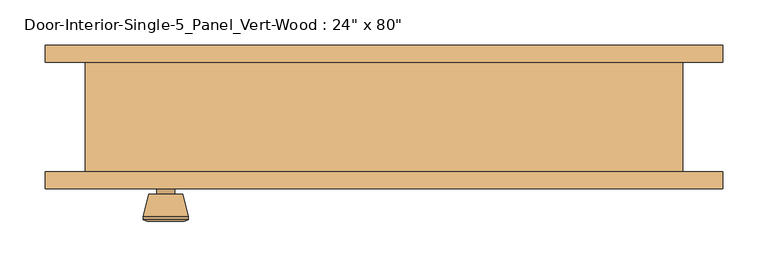
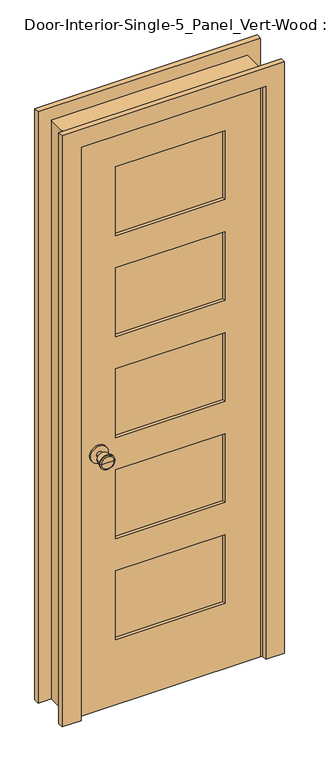
"""IFC4 building model written with IfcOpenShell, lengths in millimetres: door geometry."""

from ifc_helpers import new_model, si_unit, point, frame, frame_2d, origin, place, context, project, spatial, polyline, circle_curve, trimmed, segment, composite_curve, outline, extrude, faceted_brep, source, transform, mapped, element, save
from ifc_brep_helpers import plane_surface, cylinder_surface, revolved_surface, advanced_brep


def door_bc56d6b3(model_context):
    return source(origin(), model_context, "Body", "SolidModel", [
        advanced_brep(
        [(-241.3, -16.225, 914.4), (-251.3, -16.225, 914.4), (-231.3, -16.225, 914.4), (-220.8241324, 32.775, 914.4), (-261.7758676, 32.775, 914.4), (-241.3, 32.775, 914.4), (-216.3, 30.9471319, 914.4), (-266.3, 30.9471319, 914.4), (-216.3, 27.4834537, 914.4), (-266.3, 27.4834537, 914.4), (-222.663764, 2.775, 914.4), (-259.936236, 2.775, 914.4), (-231.3, 2.775, 914.4), (-251.3, 2.775, 914.4)],
        [
            (0, 1),
            (1, 2, circle_curve(frame((-241.3, -16.225, 914.4), z_axis=(0.0, -1.0, 0.0), x_axis=(-1.0, 0.0, 0.0)), 10.0)),
            (2, 0),
            (2, 1, circle_curve(frame((-241.3, -16.225, 914.4), z_axis=(0.0, -1.0, 0.0), x_axis=(-1.0, 0.0, 0.0)), 10.0)),
            (3, 4, circle_curve(frame((-241.3, 32.775, 914.4), z_axis=(0.0, 1.0, 0.0), x_axis=(-1.0, 0.0, 0.0)), 20.4758676)),
            (4, 5),
            (5, 3),
            (4, 3, circle_curve(frame((-241.3, 32.775, 914.4), z_axis=(0.0, 1.0, 0.0), x_axis=(-1.0, 0.0, 0.0)), 20.4758676)),
            (6, 7, circle_curve(frame((-241.3, 30.9471319, 914.4), z_axis=(0.0, 1.0, 0.0), x_axis=(-1.0, 0.0, 0.0)), 25.0)),
            (7, 4),
            (3, 6),
            (7, 6, circle_curve(frame((-241.3, 30.9471319, 914.4), z_axis=(0.0, 1.0, 0.0), x_axis=(-1.0, 0.0, 0.0)), 25.0)),
            (8, 9, circle_curve(frame((-241.3, 27.4834537, 914.4), z_axis=(0.0, 1.0, 0.0), x_axis=(-1.0, 0.0, 0.0)), 25.0)),
            (9, 7),
            (6, 8),
            (9, 8, circle_curve(frame((-241.3, 27.4834537, 914.4), z_axis=(0.0, 1.0, 0.0), x_axis=(-1.0, 0.0, 0.0)), 25.0)),
            (10, 11, circle_curve(frame((-241.3, 2.775, 914.4), z_axis=(0.0, 1.0, 0.0), x_axis=(-1.0, 0.0, 0.0)), 18.636236)),
            (11, 9),
            (8, 10),
            (11, 10, circle_curve(frame((-241.3, 2.775, 914.4), z_axis=(0.0, 1.0, 0.0), x_axis=(-1.0, 0.0, 0.0)), 18.636236)),
            (12, 13, circle_curve(frame((-241.3, 2.775, 914.4), z_axis=(0.0, 1.0, 0.0), x_axis=(-1.0, 0.0, 0.0)), 10.0)),
            (13, 11),
            (10, 12),
            (13, 12, circle_curve(frame((-241.3, 2.775, 914.4), z_axis=(0.0, 1.0, 0.0), x_axis=(-1.0, 0.0, 0.0)), 10.0)),
            (1, 13),
            (12, 2),
        ],
        [
            plane_surface(frame((-241.3, -16.225, 914.4), z_axis=(0.0, -1.0, 0.0), x_axis=(-1.0, 0.0, 0.0))),
            plane_surface(frame((-241.3, 32.775, 914.4), z_axis=(0.0, 1.0, 0.0), x_axis=(-1.0, 0.0, 0.0))),
            revolved_surface(polyline([(-261.7758676, 32.775, 914.4), (-266.3, 30.9471319, 914.4)]), (-241.3, -16.225, 914.4), (0.0, -1.0, 0.0)),
            cylinder_surface(frame((-241.3, -16.225, 914.4), z_axis=(0.0, -1.0, 0.0), x_axis=(-1.0, 0.0, 0.0)), 25.0),
            revolved_surface(polyline([(-266.3, 27.4834537, 914.4), (-259.936236, 2.775, 914.4)]), (-241.3, -16.225, 914.4), (0.0, -1.0, 0.0)),
            plane_surface(frame((-241.3, 2.775, 914.4), z_axis=(0.0, -1.0, 0.0), x_axis=(-1.0, 0.0, 0.0))),
            cylinder_surface(frame((-241.3, -16.225, 914.4), z_axis=(0.0, -1.0, 0.0), x_axis=(-1.0, 0.0, 0.0)), 10.0),
        ],
        [
            (0, [[1, 2, 3]]),
            (0, [[-3, 4, -1]]),
            (1, [[5, 6, 7]]),
            (1, [[8, -7, -6]]),
            (2, [[9, 10, -5, 11]]),
            (2, [[12, -11, -8, -10]]),
            (3, [[13, 14, -9, 15]]),
            (3, [[16, -15, -12, -14]]),
            (4, [[17, 18, -13, 19]]),
            (4, [[20, -19, -16, -18]]),
            (5, [[21, 22, -17, 23]]),
            (5, [[24, -23, -20, -22]]),
            (6, [[-2, 25, -21, 26]]),
            (6, [[-4, -26, -24, -25]]),
        ],
    ),
        extrude(outline(composite_curve([segment(trimmed(circle_curve(frame_2d((914.4, -241.3)), 30.0), [point((914.4, -271.3))], [point((914.4, -211.3))], False, "CARTESIAN"), True, "CONTINUOUS"), segment(trimmed(circle_curve(frame_2d((914.4, -241.3)), 30.0), [point((914.4, -211.3))], [point((914.4, -271.3))], False, "CARTESIAN"), True, "CONTINUOUS")], self_intersect=False)), frame((0.0, -22.225, 0.0), z_axis=(0.0, 1.0, 0.0), x_axis=(0.0, 0.0, 1.0)), (0.0, 0.0, 1.0), 6.0),
        advanced_brep(
        [(-241.3, -63.15, 914.4), (-231.3, -63.15, 914.4), (-251.3, -63.15, 914.4), (-220.8241324, -112.15, 914.4), (-241.3, -112.15, 914.4), (-261.7758676, -112.15, 914.4), (-216.3, -110.3221319, 914.4), (-266.3, -110.3221319, 914.4), (-216.3, -106.8584537, 914.4), (-266.3, -106.8584537, 914.4), (-222.663764, -82.15, 914.4), (-259.936236, -82.15, 914.4), (-231.3, -82.15, 914.4), (-251.3, -82.15, 914.4)],
        [
            (0, 1),
            (1, 2, circle_curve(frame((-241.3, -63.15, 914.4), z_axis=(0.0, 1.0, 0.0), x_axis=(-1.0, 0.0, 0.0)), 10.0)),
            (2, 0),
            (2, 1, circle_curve(frame((-241.3, -63.15, 914.4), z_axis=(0.0, 1.0, 0.0), x_axis=(-1.0, 0.0, 0.0)), 10.0)),
            (3, 4),
            (4, 5),
            (5, 3, circle_curve(frame((-241.3, -112.15, 914.4), z_axis=(0.0, -1.0, 0.0), x_axis=(-1.0, 0.0, 0.0)), 20.4758676)),
            (3, 5, circle_curve(frame((-241.3, -112.15, 914.4), z_axis=(0.0, -1.0, 0.0), x_axis=(-1.0, 0.0, 0.0)), 20.4758676)),
            (6, 3),
            (5, 7),
            (7, 6, circle_curve(frame((-241.3, -110.3221319, 914.4), z_axis=(0.0, -1.0, 0.0), x_axis=(-1.0, 0.0, 0.0)), 25.0)),
            (6, 7, circle_curve(frame((-241.3, -110.3221319, 914.4), z_axis=(0.0, -1.0, 0.0), x_axis=(-1.0, 0.0, 0.0)), 25.0)),
            (8, 6),
            (7, 9),
            (9, 8, circle_curve(frame((-241.3, -106.8584537, 914.4), z_axis=(0.0, -1.0, 0.0), x_axis=(-1.0, 0.0, 0.0)), 25.0)),
            (8, 9, circle_curve(frame((-241.3, -106.8584537, 914.4), z_axis=(0.0, -1.0, 0.0), x_axis=(-1.0, 0.0, 0.0)), 25.0)),
            (10, 8),
            (9, 11),
            (11, 10, circle_curve(frame((-241.3, -82.15, 914.4), z_axis=(0.0, -1.0, 0.0), x_axis=(-1.0, 0.0, 0.0)), 18.636236)),
            (10, 11, circle_curve(frame((-241.3, -82.15, 914.4), z_axis=(0.0, -1.0, 0.0), x_axis=(-1.0, 0.0, 0.0)), 18.636236)),
            (12, 10),
            (11, 13),
            (13, 12, circle_curve(frame((-241.3, -82.15, 914.4), z_axis=(0.0, -1.0, 0.0), x_axis=(-1.0, 0.0, 0.0)), 10.0)),
            (12, 13, circle_curve(frame((-241.3, -82.15, 914.4), z_axis=(0.0, -1.0, 0.0), x_axis=(-1.0, 0.0, 0.0)), 10.0)),
            (1, 12),
            (13, 2),
        ],
        [
            plane_surface(frame((-241.3, -63.15, 914.4), z_axis=(0.0, 1.0, 0.0), x_axis=(-1.0, 0.0, 0.0))),
            plane_surface(frame((-241.3, -112.15, 914.4), z_axis=(0.0, -1.0, 0.0), x_axis=(-1.0, 0.0, 0.0))),
            revolved_surface(polyline([(-261.7758676, -112.15, 914.4), (-266.3, -110.3221319, 914.4)]), (-241.3, -63.15, 914.4), (0.0, 1.0, 0.0)),
            cylinder_surface(frame((-241.3, -63.15, 914.4), z_axis=(0.0, 1.0, 0.0), x_axis=(-1.0, 0.0, 0.0)), 25.0),
            revolved_surface(polyline([(-266.3, -106.8584537, 914.4), (-259.936236, -82.15, 914.4)]), (-241.3, -63.15, 914.4), (0.0, 1.0, 0.0)),
            plane_surface(frame((-241.3, -82.15, 914.4), z_axis=(0.0, 1.0, 0.0), x_axis=(-1.0, 0.0, 0.0))),
            cylinder_surface(frame((-241.3, -63.15, 914.4), z_axis=(0.0, 1.0, 0.0), x_axis=(-1.0, 0.0, 0.0)), 10.0),
        ],
        [
            (0, [[1, 2, 3]]),
            (0, [[-3, 4, -1]]),
            (1, [[5, 6, 7]]),
            (1, [[-6, -5, 8]]),
            (2, [[9, -7, 10, 11]]),
            (2, [[-10, -8, -9, 12]]),
            (3, [[13, -11, 14, 15]]),
            (3, [[-14, -12, -13, 16]]),
            (4, [[17, -15, 18, 19]]),
            (4, [[-18, -16, -17, 20]]),
            (5, [[21, -19, 22, 23]]),
            (5, [[-22, -20, -21, 24]]),
            (6, [[25, -23, 26, -2]]),
            (6, [[-26, -24, -25, -4]]),
        ],
    ),
        extrude(outline(composite_curve([segment(trimmed(circle_curve(frame_2d((914.4, -241.3)), 30.0), [point((914.4, -271.3))], [point((914.4, -211.3))], False, "CARTESIAN"), True, "CONTINUOUS"), segment(trimmed(circle_curve(frame_2d((914.4, -241.3)), 30.0), [point((914.4, -211.3))], [point((914.4, -271.3))], False, "CARTESIAN"), True, "CONTINUOUS")], self_intersect=False)), frame((0.0, -63.15, 0.0), z_axis=(0.0, 1.0, 0.0), x_axis=(0.0, 0.0, 1.0)), (0.0, 0.0, 1.0), 6.0),
        extrude(outline(polyline([(184.15, -33.8666667), (184.15, -45.5083333), (-184.15, -45.5083333), (-184.15, -33.8666667), (184.15, -33.8666667)])), frame((0.0, 0.0, 1668.145), z_axis=(0.0, 0.0, 1.0), x_axis=(1.0, 0.0, 0.0)), (0.0, 0.0, 1.0), 244.7925),
        extrude(outline(polyline([(184.15, -33.8666667), (184.15, -45.5083333), (-184.15, -45.5083333), (-184.15, -33.8666667), (184.15, -33.8666667)])), frame((0.0, 0.0, 1309.0525), z_axis=(0.0, 0.0, 1.0), x_axis=(1.0, 0.0, 0.0)), (0.0, 0.0, 1.0), 244.7925),
        extrude(outline(polyline([(184.15, -33.8666667), (184.15, -45.5083333), (-184.15, -45.5083333), (-184.15, -33.8666667), (184.15, -33.8666667)])), frame((0.0, 0.0, 590.8675), z_axis=(0.0, 0.0, 1.0), x_axis=(1.0, 0.0, 0.0)), (0.0, 0.0, 1.0), 244.7925),
        extrude(outline(polyline([(184.15, -33.8666667), (184.15, -45.5083333), (-184.15, -45.5083333), (-184.15, -33.8666667), (184.15, -33.8666667)])), frame((0.0, 0.0, 231.775), z_axis=(0.0, 0.0, 1.0), x_axis=(1.0, 0.0, 0.0)), (0.0, 0.0, 1.0), 244.7925),
        extrude(outline(polyline([(184.15, -33.8666667), (184.15, -45.5083333), (-184.15, -45.5083333), (-184.15, -33.8666667), (184.15, -33.8666667)])), frame((0.0, 0.0, 949.96), z_axis=(0.0, 0.0, 1.0), x_axis=(1.0, 0.0, 0.0)), (0.0, 0.0, 1.0), 244.7925),
        extrude(outline(polyline([(2032.0, -304.8), (0.0, -304.8), (0.0, 304.8), (2032.0, 304.8), (2032.0, -304.8)]), holes=[polyline([(1912.9375, -184.15), (1912.9375, 184.15), (1668.145, 184.15), (1668.145, -184.15), (1912.9375, -184.15)]), polyline([(476.5675, -184.15), (476.5675, 184.15), (231.775, 184.15), (231.775, -184.15), (476.5675, -184.15)]), polyline([(1194.7525, -184.15), (1194.7525, 184.15), (949.96, 184.15), (949.96, -184.15), (1194.7525, -184.15)]), polyline([(1553.845, -184.15), (1553.845, 184.15), (1309.0525, 184.15), (1309.0525, -184.15), (1553.845, -184.15)]), polyline([(835.66, -184.15), (835.66, 184.15), (590.8675, 184.15), (590.8675, -184.15), (835.66, -184.15)])]), frame((0.0, -57.15, 0.0), z_axis=(0.0, 1.0, 0.0), x_axis=(0.0, 0.0, 1.0)), (0.0, 0.0, 1.0), 34.925),
        faceted_brep([(330.2, -57.15, 0.0), (304.8, -57.15, 0.0), (304.8, -22.225, 0.0), (292.1, -22.225, 0.0), (292.1, 12.7, 0.0), (304.8, 12.7, 0.0), (304.8, 63.5, 0.0), (330.2, 63.5, 0.0), (330.2, 63.5, 2057.4), (330.2, -57.15, 2057.4), (304.8, 63.5, 2032.0), (-304.8, 63.5, 2032.0), (-304.8, 63.5, 0.0), (-330.2, 63.5, 0.0), (-330.2, 63.5, 2057.4), (304.8, 12.7, 2032.0), (292.1, 12.7, 2019.3), (-292.1, 12.7, 2019.3), (-292.1, 12.7, 0.0), (-304.8, 12.7, 0.0), (-304.8, 12.7, 2032.0), (292.1, -22.225, 2019.3), (304.8, -22.225, 2032.0), (-304.8, -22.225, 2032.0), (-304.8, -22.225, 0.0), (-292.1, -22.225, 0.0), (-292.1, -22.225, 2019.3), (304.8, -57.15, 2032.0), (-330.2, -57.15, 2057.4), (-330.2, -57.15, 0.0), (-304.8, -57.15, 0.0), (-304.8, -57.15, 2032.0)], [[[0, 1, 2, 3, 4, 5, 6, 7]], [[7, 8, 9, 0]], [[6, 10, 11, 12, 13, 14, 8, 7]], [[5, 15, 10, 6]], [[4, 16, 17, 18, 19, 20, 15, 5]], [[3, 21, 16, 4]], [[2, 22, 23, 24, 25, 26, 21, 3]], [[1, 27, 22, 2]], [[0, 9, 28, 29, 30, 31, 27, 1]], [[8, 14, 28, 9]], [[15, 20, 11, 10]], [[21, 26, 17, 16]], [[27, 31, 23, 22]], [[29, 13, 12, 19, 18, 25, 24, 30]], [[14, 13, 29, 28]], [[20, 19, 12, 11]], [[26, 25, 18, 17]], [[31, 30, 24, 23]]]),
        extrude(outline(polyline([(0.0, 374.65), (2101.85, 374.65), (2101.85, -374.65), (0.0, -374.65), (0.0, -311.15), (2038.35, -311.15), (2038.35, 311.15), (0.0, 311.15), (0.0, 374.65)])), frame((0.0, 63.5, 0.0), z_axis=(0.0, 1.0, 0.0), x_axis=(0.0, 0.0, 1.0)), (0.0, 0.0, 1.0), 19.05),
        extrude(outline(polyline([(0.0, 374.65), (2101.85, 374.65), (2101.85, -374.65), (0.0, -374.65), (0.0, -311.15), (2038.35, -311.15), (2038.35, 311.15), (0.0, 311.15), (0.0, 374.65)])), frame((0.0, -76.2, 0.0), z_axis=(0.0, 1.0, 0.0), x_axis=(0.0, 0.0, 1.0)), (0.0, 0.0, 1.0), 19.05),
    ])


if __name__ == "__main__":
    model = new_model("IFC4")
    model_context = context("Model", 3, world=origin())
    ifc_project = project(units=[si_unit("LENGTHUNIT", "METRE", prefix="MILLI")], contexts=[model_context])
    site = spatial("IfcSite", under=ifc_project)
    building = spatial("IfcBuilding", under=site)
    placement = place(None, origin())
    door_shape = door_bc56d6b3(model_context)
    element("IfcDoor", 1, ObjectType="Door-Interior-Single-5_Panel_Vert-Wood : 24\" x 80\"", at=placement, inside=building, context=model_context, shape_type="MappedRepresentation", body=[
        mapped(door_shape, transform((0.0, 0.0, 0.0), x_axis=(1.0, 0.0, 0.0), y_axis=(0.0, 1.0, 0.0), z_axis=(0.0, 0.0, 1.0))),
    ])
    save(model, "model.ifc")
